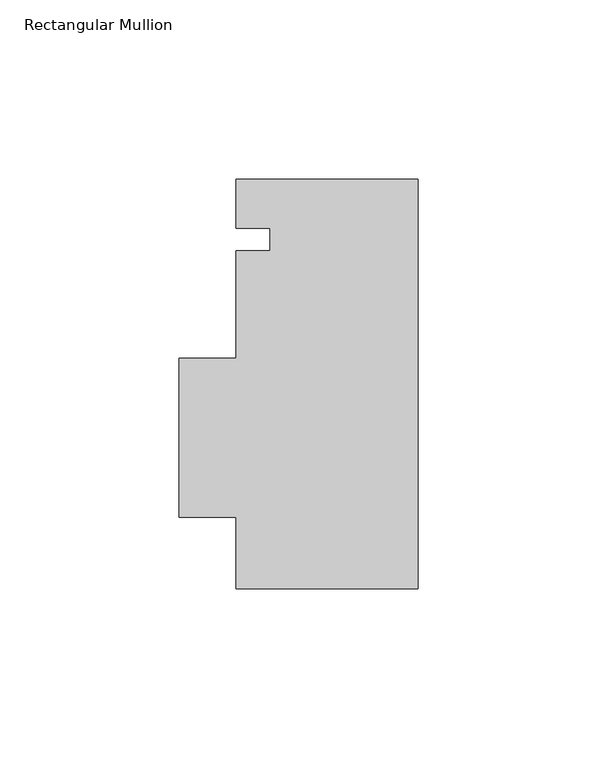
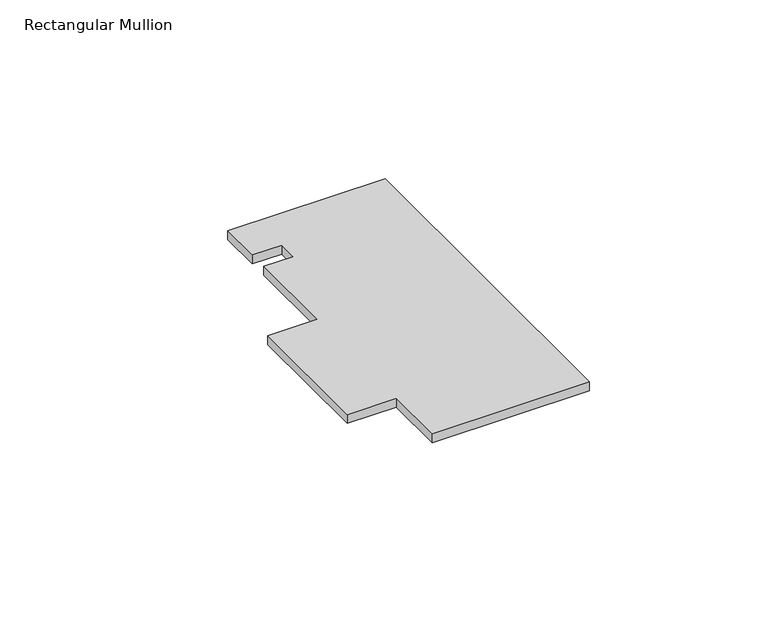
"""IFC4 building model written with IfcOpenShell, lengths in millimetres: member geometry, Rectangular Mullion."""

from ifc_helpers import new_model, si_unit, frame, origin, place, context, project, spatial, polyline, outline, extrude, source, transform, mapped, element, save


def rectangular_mullion_4b4a0e7a(model_context):
    return source(origin(), model_context, "Body", "SweptSolid", [
        extrude(outline(polyline([(-25.4, -39.8224438), (-25.4, -19.8831937), (-41.275, -19.8831937), (-41.275, 24.5668063), (-25.4, 24.5668063), (-25.4, 54.4750562), (-15.875, 54.4750562), (-15.875, 60.8250562), (-25.4, 60.8250562), (-25.4, 74.4775562), (25.4, 74.4775562), (25.4, -39.8224438), (-25.4, -39.8224438)])), frame((0.0, 0.0, -3.0555957), z_axis=(0.0, 0.0, 1.0), x_axis=(1.0, 0.0, 0.0)), (0.0, 0.0, 1.0), 3.0555957),
    ])


if __name__ == "__main__":
    model = new_model("IFC4")
    model_context = context("Model", 3, world=origin())
    ifc_project = project(units=[si_unit("LENGTHUNIT", "METRE", prefix="MILLI")], contexts=[model_context])
    site = spatial("IfcSite", under=ifc_project)
    building = spatial("IfcBuilding", under=site)
    placement = place(None, origin())
    rectangular_mullion_shape = rectangular_mullion_4b4a0e7a(model_context)
    element("IfcMember", 1, ObjectType="Rectangular Mullion", at=placement, inside=building, context=model_context, shape_type="MappedRepresentation", body=[
        mapped(rectangular_mullion_shape, transform((0.0, 0.0, 0.0), x_axis=(1.0, 0.0, 0.0), y_axis=(0.0, 1.0, 0.0), z_axis=(0.0, 0.0, 1.0))),
    ])
    save(model, "model.ifc")
